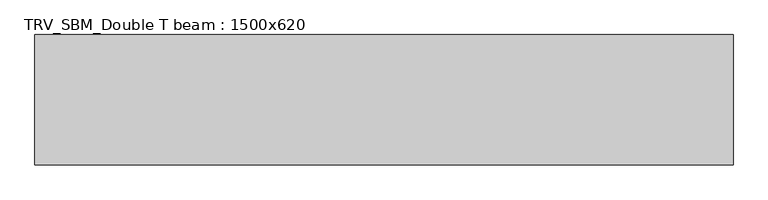
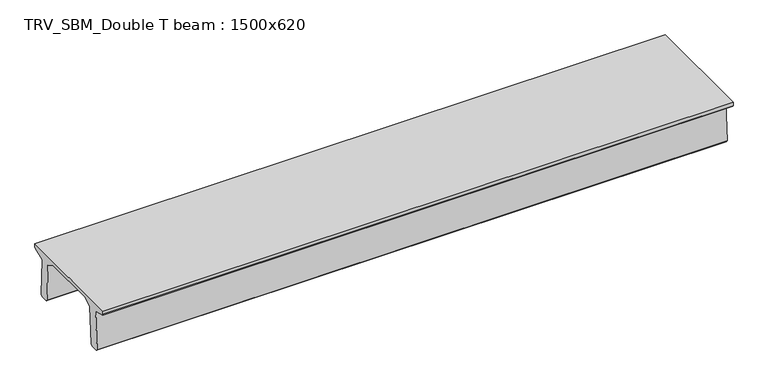
"""IFC4 building model written with IfcOpenShell, lengths in millimetres: beam geometry, TRV_SBM_Double T beam : 1500x620."""

from ifc_helpers import new_model, si_unit, frame, origin, place, context, project, spatial, polyline, outline, extrude, source, transform, mapped, element, save


def trv_sbm_double_t_beam_1500x620_9280ac9f(model_context):
    return source(origin(), model_context, "Body", "SweptSolid", [
        extrude(outline(polyline([(-765.0, 215.0), (-765.0, 260.0), (735.0, 260.0), (735.0, 215.0), (728.2094488, 201.315559), (578.0626443, 140.6523122), (594.8277662, -339.4379646), (574.2657308, -360.0), (484.2657308, -360.0), (464.786332, -340.5206011), (447.8600761, 144.18395), (338.3237744, 210.0), (-367.4555014, 210.0), (-476.5389732, 151.9992892), (-507.0080378, -339.3850967), (-527.622941, -360.0), (-615.122941, -360.0), (-637.1143055, -338.0086356), (-606.1572167, 162.687806), (-761.3068466, 204.260024), (-765.0, 215.0)])), frame((-4022.5, 0.0, 0.0), z_axis=(1.0, 0.0, 0.0), x_axis=(0.0, 1.0, 0.0)), (0.0, 0.0, 1.0), 8039.0),
    ])


if __name__ == "__main__":
    model = new_model("IFC4")
    model_context = context("Model", 3, world=origin())
    ifc_project = project(units=[si_unit("LENGTHUNIT", "METRE", prefix="MILLI")], contexts=[model_context])
    site = spatial("IfcSite", under=ifc_project)
    building = spatial("IfcBuilding", under=site)
    placement = place(None, origin())
    trv_sbm_double_t_beam_1500x620_shape = trv_sbm_double_t_beam_1500x620_9280ac9f(model_context)
    element("IfcBeam", 1, ObjectType="TRV_SBM_Double T beam : 1500x620", at=placement, inside=building, context=model_context, shape_type="MappedRepresentation", body=[
        mapped(trv_sbm_double_t_beam_1500x620_shape, transform((0.0, 0.0, 0.0), x_axis=(1.0, 0.0, 0.0), y_axis=(0.0, 1.0, 0.0), z_axis=(0.0, 0.0, 1.0))),
    ])
    save(model, "model.ifc")
